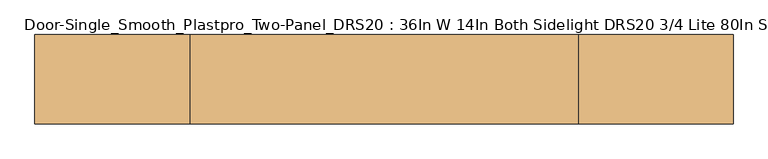
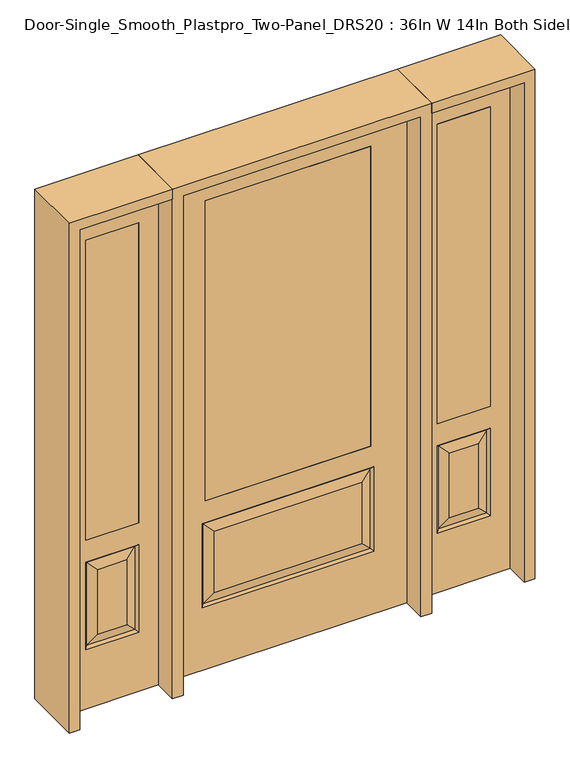
"""IFC4 building model written with IfcOpenShell, lengths in millimetres: door geometry, Door-Single_Smooth_Plastpro_Two-Panel_DRS20 : 36In W 14In Both Sidelight DRS20 3/4 Lite 80In Smooth."""

from ifc_helpers import new_model, si_unit, frame, origin, place, context, project, spatial, polyline, outline, extrude, faceted_brep, source, transform, mapped, element, save


def door_single_smooth_plastpro_two_panel_drs20_36in_w_14in_both_817b90c1(model_context):
    return source(origin(), model_context, "Body", "SolidModel", [
        extrude(outline(polyline([(574.675, -20.6375), (574.675, 20.6375), (777.875, 20.6375), (777.875, -20.6375), (574.675, -20.6375)])), frame((0.0, 0.0, 685.8), z_axis=(0.0, 0.0, 1.0), x_axis=(1.0, 0.0, 0.0)), (0.0, 0.0, 1.0), 1219.2),
        faceted_brep([(854.075, -20.6375, 0.0), (854.075, -20.6375, 2032.0), (498.475, -20.6375, 2032.0), (498.475, -20.6375, 0.0), (574.675, -20.6375, 685.8), (574.675, -20.6375, 1905.0), (777.875, -20.6375, 1905.0), (777.875, -20.6375, 685.8), (574.675, -20.6375, 241.3), (574.675, -20.6375, 596.9), (777.875, -20.6375, 596.9), (777.875, -20.6375, 241.3), (731.8375, -20.6375, 287.3375), (731.8375, -20.6375, 550.8625), (620.7125, -20.6375, 550.8625), (620.7125, -20.6375, 287.3375), (498.475, 20.6375, 0.0), (854.075, 20.6375, 0.0), (498.475, 20.6375, 2032.0), (854.075, 20.6375, 2032.0), (583.6552561, -11.6572439, 250.2802561), (768.8947439, -11.6572439, 250.2802561), (768.8947439, -11.6572439, 587.9197439), (583.6552561, -11.6572439, 587.9197439), (777.875, 20.6375, 685.8), (574.675, 20.6375, 685.8), (777.875, 20.6375, 1905.0), (574.675, 20.6375, 1905.0), (777.875, 20.6375, 241.3), (777.875, 20.6375, 596.9), (574.675, 20.6375, 596.9), (574.675, 20.6375, 241.3), (620.7125, 20.6375, 287.3375), (620.7125, 20.6375, 550.8625), (731.8375, 20.6375, 550.8625), (731.8375, 20.6375, 287.3375), (583.6552561, 11.6572439, 250.2802561), (768.8947439, 11.6572439, 250.2802561), (583.6552561, 11.6572439, 587.9197439), (768.8947439, 11.6572439, 587.9197439)], [[[0, 1, 2, 3], [4, 5, 6, 7], [8, 9, 10, 11]], [[12, 13, 14, 15]], [[3, 16, 17, 0]], [[2, 18, 16, 3]], [[0, 17, 19, 1]], [[20, 8, 11, 21]], [[11, 10, 22, 21]], [[10, 9, 23, 22]], [[20, 23, 9, 8]], [[21, 12, 15, 20]], [[15, 14, 23, 20]], [[22, 23, 14, 13]], [[21, 22, 13, 12]], [[4, 7, 24, 25]], [[7, 6, 26, 24]], [[25, 27, 5, 4]], [[17, 16, 18, 19], [24, 26, 27, 25], [28, 29, 30, 31]], [[32, 33, 34, 35]], [[28, 31, 36, 37]], [[31, 30, 38, 36]], [[39, 38, 30, 29]], [[37, 39, 29, 28]], [[36, 32, 35, 37]], [[35, 34, 39, 37]], [[34, 33, 38, 39]], [[36, 38, 33, 32]], [[1, 19, 18, 2]], [[27, 26, 6, 5]]]),
        extrude(outline(polyline([(-574.675, -20.6375), (-777.875, -20.6375), (-777.875, 20.6375), (-574.675, 20.6375), (-574.675, -20.6375)])), frame((0.0, 0.0, 685.8), z_axis=(0.0, 0.0, 1.0), x_axis=(1.0, 0.0, 0.0)), (0.0, 0.0, 1.0), 1219.2),
        faceted_brep([(-854.075, -20.6375, 0.0), (-498.475, -20.6375, 0.0), (-498.475, -20.6375, 2032.0), (-854.075, -20.6375, 2032.0), (-574.675, -20.6375, 685.8), (-777.875, -20.6375, 685.8), (-777.875, -20.6375, 1905.0), (-574.675, -20.6375, 1905.0), (-574.675, -20.6375, 241.3), (-777.875, -20.6375, 241.3), (-777.875, -20.6375, 596.9), (-574.675, -20.6375, 596.9), (-731.8375, -20.6375, 287.3375), (-620.7125, -20.6375, 287.3375), (-620.7125, -20.6375, 550.8625), (-731.8375, -20.6375, 550.8625), (-854.075, 20.6375, 0.0), (-498.475, 20.6375, 0.0), (-498.475, 20.6375, 2032.0), (-854.075, 20.6375, 2032.0), (-583.6552561, -11.6572439, 250.2802561), (-768.8947439, -11.6572439, 250.2802561), (-768.8947439, -11.6572439, 587.9197439), (-583.6552561, -11.6572439, 587.9197439), (-574.675, 20.6375, 685.8), (-777.875, 20.6375, 685.8), (-777.875, 20.6375, 1905.0), (-574.675, 20.6375, 1905.0), (-777.875, 20.6375, 241.3), (-574.675, 20.6375, 241.3), (-574.675, 20.6375, 596.9), (-777.875, 20.6375, 596.9), (-620.7125, 20.6375, 287.3375), (-731.8375, 20.6375, 287.3375), (-731.8375, 20.6375, 550.8625), (-620.7125, 20.6375, 550.8625), (-768.8947439, 11.6572439, 250.2802561), (-583.6552561, 11.6572439, 250.2802561), (-583.6552561, 11.6572439, 587.9197439), (-768.8947439, 11.6572439, 587.9197439)], [[[0, 1, 2, 3], [4, 5, 6, 7], [8, 9, 10, 11]], [[12, 13, 14, 15]], [[1, 0, 16, 17]], [[2, 1, 17, 18]], [[0, 3, 19, 16]], [[20, 21, 9, 8]], [[9, 21, 22, 10]], [[10, 22, 23, 11]], [[20, 8, 11, 23]], [[21, 20, 13, 12]], [[13, 20, 23, 14]], [[22, 15, 14, 23]], [[21, 12, 15, 22]], [[4, 24, 25, 5]], [[5, 25, 26, 6]], [[24, 4, 7, 27]], [[16, 19, 18, 17], [25, 24, 27, 26], [28, 29, 30, 31]], [[32, 33, 34, 35]], [[28, 36, 37, 29]], [[29, 37, 38, 30]], [[39, 31, 30, 38]], [[36, 28, 31, 39]], [[37, 36, 33, 32]], [[33, 36, 39, 34]], [[34, 39, 38, 35]], [[37, 32, 35, 38]], [[3, 2, 18, 19]], [[27, 7, 6, 26]]]),
        extrude(outline(polyline([(317.5, -20.6375), (-317.5, -20.6375), (-317.5, 20.6375), (317.5, 20.6375), (317.5, -20.6375)])), frame((0.0, 0.0, 685.8), z_axis=(0.0, 0.0, 1.0), x_axis=(1.0, 0.0, 0.0)), (0.0, 0.0, 1.0), 1219.2),
        faceted_brep([(-317.5, 20.6375, 685.8), (-317.5, -20.6375, 685.8), (317.5, -20.6375, 685.8), (317.5, 20.6375, 685.8), (-321.2197439, 11.6572439, 587.9197439), (-284.1625, 20.6375, 550.8625), (-284.1625, 20.6375, 300.0375), (-321.2197439, 11.6572439, 262.9802561), (-321.2197439, -11.6572439, 262.9802561), (321.2197439, -11.6572439, 262.9802561), (284.1625, -20.6375, 300.0375), (-284.1625, -20.6375, 300.0375), (-321.2197439, -11.6572439, 587.9197439), (-284.1625, -20.6375, 550.8625), (284.1625, -20.6375, 550.8625), (321.2197439, -11.6572439, 587.9197439), (-330.2, -20.6375, 254.0), (330.2, -20.6375, 254.0), (317.5, -20.6375, 1905.0), (317.5, 20.6375, 1905.0), (284.1625, 20.6375, 300.0375), (321.2197439, 11.6572439, 262.9802561), (284.1625, 20.6375, 550.8625), (321.2197439, 11.6572439, 587.9197439), (457.2, 20.6375, 0.0), (457.2, -20.6375, 0.0), (-457.2, -20.6375, 0.0), (-457.2, 20.6375, 0.0), (457.2, 20.6375, 2032.0), (457.2, -20.6375, 2032.0), (-457.2, -20.6375, 2032.0), (-317.5, -20.6375, 1905.0), (-330.2, -20.6375, 596.9), (330.2, -20.6375, 596.9), (-457.2, 20.6375, 2032.0), (-317.5, 20.6375, 1905.0), (330.2, 20.6375, 596.9), (-330.2, 20.6375, 596.9), (-330.2, 20.6375, 254.0), (330.2, 20.6375, 254.0)], [[[0, 1, 2, 3]], [[4, 5, 6, 7]], [[8, 9, 10, 11]], [[12, 13, 14, 15]], [[9, 8, 16, 17]], [[18, 19, 3, 2]], [[7, 6, 20, 21]], [[22, 23, 21, 20]], [[24, 25, 26, 27]], [[28, 29, 25, 24]], [[11, 10, 14, 13]], [[29, 30, 26, 25], [31, 18, 2, 1], [17, 16, 32, 33]], [[30, 34, 27, 26]], [[5, 22, 20, 6]], [[34, 28, 24, 27], [19, 35, 0, 3], [36, 37, 38, 39]], [[23, 4, 37, 36]], [[37, 4, 7, 38]], [[38, 7, 21, 39]], [[23, 36, 39, 21]], [[4, 23, 22, 5]], [[35, 31, 1, 0]], [[16, 8, 12, 32]], [[32, 12, 15, 33]], [[9, 17, 33, 15]], [[10, 9, 15, 14]], [[8, 11, 13, 12]], [[28, 34, 30, 29]], [[31, 35, 19, 18]]]),
        extrude(outline(polyline([(2032.0, -498.475), (2073.275, -498.475), (2073.275, -895.35), (0.0, -895.35), (0.0, -854.075), (2032.0, -854.075), (2032.0, -498.475)])), frame((0.0, -114.3, 0.0), z_axis=(0.0, 1.0, 0.0), x_axis=(0.0, 0.0, 1.0)), (0.0, 0.0, 1.0), 228.6),
        extrude(outline(polyline([(2073.275, -498.475), (0.0, -498.475), (0.0, -457.2), (2032.0, -457.2), (2032.0, 457.2), (0.0, 457.2), (0.0, 498.475), (2073.275, 498.475), (2073.275, -498.475)])), frame((0.0, -114.3, 0.0), z_axis=(0.0, 1.0, 0.0), x_axis=(0.0, 0.0, 1.0)), (0.0, 0.0, 1.0), 228.6),
        extrude(outline(polyline([(0.0, 854.075), (0.0, 895.35), (2073.275, 895.35), (2073.275, 498.475), (2032.0, 498.475), (2032.0, 854.075), (0.0, 854.075)])), frame((0.0, -114.3, 0.0), z_axis=(0.0, 1.0, 0.0), x_axis=(0.0, 0.0, 1.0)), (0.0, 0.0, 1.0), 228.6),
    ])


if __name__ == "__main__":
    model = new_model("IFC4")
    model_context = context("Model", 3, world=origin())
    ifc_project = project(units=[si_unit("LENGTHUNIT", "METRE", prefix="MILLI")], contexts=[model_context])
    site = spatial("IfcSite", under=ifc_project)
    building = spatial("IfcBuilding", under=site)
    placement = place(None, origin())
    door_single_smooth_plastpro_two_panel_drs20_36in_w_14in_both_shape = door_single_smooth_plastpro_two_panel_drs20_36in_w_14in_both_817b90c1(model_context)
    element("IfcDoor", 1, ObjectType="Door-Single_Smooth_Plastpro_Two-Panel_DRS20 : 36In W 14In Both Sidelight DRS20 3/4 Lite 80In Smooth", at=placement, inside=building, context=model_context, shape_type="MappedRepresentation", body=[
        mapped(door_single_smooth_plastpro_two_panel_drs20_36in_w_14in_both_shape, transform((0.0, 0.0, 0.0), x_axis=(1.0, 0.0, 0.0), y_axis=(0.0, 1.0, 0.0), z_axis=(0.0, 0.0, 1.0))),
    ])
    save(model, "model.ifc")
